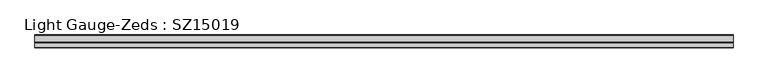
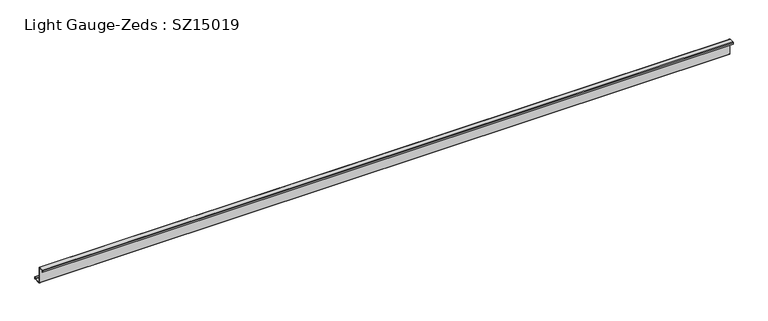
"""IFC4 building model written with IfcOpenShell, lengths in millimetres: beam geometry, Light Gauge-Zeds : SZ15019."""

from ifc_helpers import new_model, si_unit, point, frame, frame_2d, origin, place, context, project, spatial, polyline, circle_curve, trimmed, segment, composite_curve, outline, extrude, source, transform, mapped, element, save


def light_gauge_zeds_sz15019_0e954e1b(model_context):
    return source(origin(), model_context, "Body", "SweptSolid", [
        extrude(outline(composite_curve([segment(polyline([(0.0, -72.1), (0.0, 72.1)]), True, "CONTINUOUS"), segment(trimmed(circle_curve(frame_2d((-2.0, 72.1)), 2.0), [point((0.0, 72.1))], [point((-2.0, 74.1))], True, "CARTESIAN"), True, "CONTINUOUS"), segment(polyline([(-2.0, 74.1), (-46.6, 74.1)]), True, "CONTINUOUS"), segment(trimmed(circle_curve(frame_2d((-46.6, 72.1)), 2.0), [point((-46.6, 74.1))], [point((-48.6, 72.1))], True, "CARTESIAN"), True, "CONTINUOUS"), segment(polyline([(-48.6, 72.1), (-48.6, 58.0), (-50.5, 58.0), (-50.5, 72.1)]), True, "CONTINUOUS"), segment(trimmed(circle_curve(frame_2d((-46.6, 72.1)), 3.9), [point((-50.5, 72.1))], [point((-46.6, 76.0))], False, "CARTESIAN"), True, "CONTINUOUS"), segment(polyline([(-46.6, 76.0), (-2.0, 76.0)]), True, "CONTINUOUS"), segment(trimmed(circle_curve(frame_2d((-2.0, 72.1)), 3.9), [point((-2.0, 76.0))], [point((1.9, 72.1))], False, "CARTESIAN"), True, "CONTINUOUS"), segment(polyline([(1.9, 72.1), (1.9, -72.1)]), True, "CONTINUOUS"), segment(trimmed(circle_curve(frame_2d((3.9, -72.1)), 2.0), [point((1.9, -72.1))], [point((3.9, -74.1))], True, "CARTESIAN"), True, "CONTINUOUS"), segment(polyline([(3.9, -74.1), (63.6, -74.1)]), True, "CONTINUOUS"), segment(trimmed(circle_curve(frame_2d((63.6, -72.1)), 2.0), [point((63.6, -74.1))], [point((65.6, -72.1))], True, "CARTESIAN"), True, "CONTINUOUS"), segment(polyline([(65.6, -72.1), (65.6, -57.0), (67.5, -57.0), (67.5, -72.1)]), True, "CONTINUOUS"), segment(trimmed(circle_curve(frame_2d((63.6, -72.1)), 3.9), [point((67.5, -72.1))], [point((63.6, -76.0))], False, "CARTESIAN"), True, "CONTINUOUS"), segment(polyline([(63.6, -76.0), (3.9, -76.0)]), True, "CONTINUOUS"), segment(trimmed(circle_curve(frame_2d((3.9, -72.1)), 3.9), [point((3.9, -76.0))], [point((0.0, -72.1))], False, "CARTESIAN"), True, "CONTINUOUS")], self_intersect=False)), frame((-3193.5, 0.0, 0.0), z_axis=(1.0, 0.0, 0.0), x_axis=(0.0, 1.0, 0.0)), (0.0, 0.0, 1.0), 6392.0),
    ])


if __name__ == "__main__":
    model = new_model("IFC4")
    model_context = context("Model", 3, world=origin())
    ifc_project = project(units=[si_unit("LENGTHUNIT", "METRE", prefix="MILLI")], contexts=[model_context])
    site = spatial("IfcSite", under=ifc_project)
    building = spatial("IfcBuilding", under=site)
    placement = place(None, origin())
    light_gauge_zeds_sz15019_shape = light_gauge_zeds_sz15019_0e954e1b(model_context)
    element("IfcBeam", 1, ObjectType="Light Gauge-Zeds : SZ15019", at=placement, inside=building, context=model_context, shape_type="MappedRepresentation", body=[
        mapped(light_gauge_zeds_sz15019_shape, transform((0.0, 0.0, 0.0), x_axis=(1.0, 0.0, 0.0), y_axis=(0.0, 1.0, 0.0), z_axis=(0.0, 0.0, 1.0))),
    ])
    save(model, "model.ifc")
